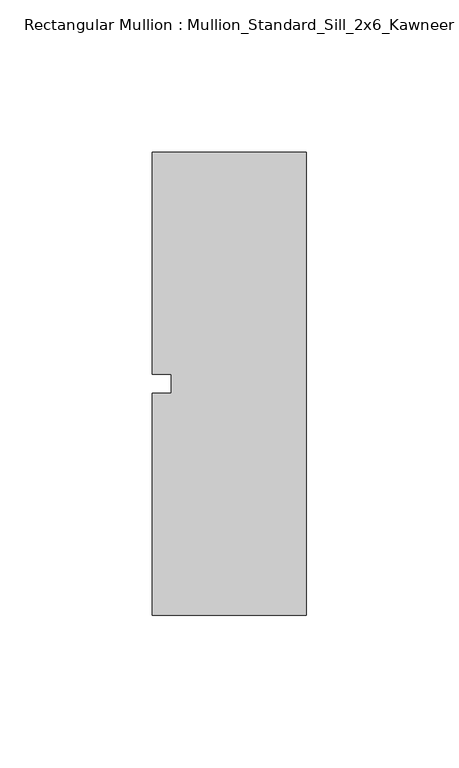
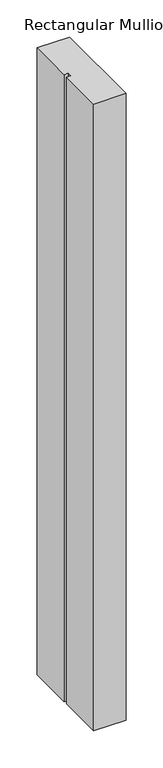
"""IFC4 building model written with IfcOpenShell, lengths in millimetres: member geometry, Rectangular Mullion : Mullion_Standard_Sill_2x6_Kawneer."""

import ifcopenshell
import ifcopenshell.guid

model = None  # the IFC model being written
_history = None  # IfcOwnerHistory: only IFC2X3 demands one
_inside = {}  # id of a spatial element -> (the spatial element, [elements in it])
_under = {}  # id of a project, library or spatial element -> (it, [spatial elements below it])
_declared = {}  # id of a project -> (the project, [libraries it declares])
_typed = {}  # id of a type object -> (the type object, [elements of that type])
_made_of = {}  # id of a material, layer set ... -> (it, [elements and type objects made of it])


def new_model(schema):
    """Start an empty IFC model of exactly this schema.

    Asked for "IFC4X3", IfcOpenShell would pick the latest addendum, in which some entities
    have other attributes; the version numbers below select the first issue.
    IFC2X3 requires an IfcOwnerHistory on every rooted entity: one is made here for all.
    """
    global model, _history
    if schema == "IFC4X3":
        model = ifcopenshell.file(schema_version=(4, 3, 0, 0))
    else:
        model = ifcopenshell.file(schema=schema)
    _inside.clear()
    _under.clear()
    _declared.clear()
    _typed.clear()
    _made_of.clear()
    _history = None
    if model.schema == "IFC2X3":
        org = make("IfcOrganization", Name="unknown")
        user = make(
            "IfcPersonAndOrganization",
            ThePerson=make("IfcPerson", FamilyName="unknown"),
            TheOrganization=org,
        )
        app = make(
            "IfcApplication",
            ApplicationDeveloper=org,
            Version="unknown",
            ApplicationFullName="unknown",
            ApplicationIdentifier="unknown",
        )
        _history = make(
            "IfcOwnerHistory",
            OwningUser=user,
            OwningApplication=app,
            ChangeAction="ADDED",
            CreationDate=0,
        )
    return model


def make(cls, **values):
    """One entity of the class cls with the attributes given. An attribute that is None is left unset."""
    return model.create_entity(
        cls, **{name: value for name, value in values.items() if value is not None}
    )


def rooted(cls, **values):
    """An entity with a GlobalId (a new one), such as an element, a storey or a relation."""
    return make(cls, GlobalId=ifcopenshell.guid.new(), OwnerHistory=_history, **values)


def si_unit(unit_type, name, prefix=None):
    """IfcSIUnit, for example si_unit("LENGTHUNIT", "METRE", prefix="MILLI")."""
    return make("IfcSIUnit", UnitType=unit_type, Prefix=prefix, Name=name)


def assignment(units):
    """IfcUnitAssignment: the units of a project."""
    return None if units is None else make("IfcUnitAssignment", Units=units)


def point(xyz):
    """IfcCartesianPoint."""
    return None if xyz is None else make("IfcCartesianPoint", Coordinates=xyz)


def direction(xyz):
    """IfcDirection."""
    return None if xyz is None else make("IfcDirection", DirectionRatios=xyz)


def frame(location, z_axis=None, x_axis=None):
    """IfcAxis2Placement3D, a coordinate frame: its origin and axes. An axis left out is left unset."""
    return make(
        "IfcAxis2Placement3D",
        Location=point(location),
        Axis=direction(z_axis),
        RefDirection=direction(x_axis),
    )


def origin():
    """The frame at (0, 0, 0) with its axes left unset."""
    return frame((0.0, 0.0, 0.0))


def place(relative_to, where):
    """IfcLocalPlacement: puts the frame where relative to a parent placement (None: the world)."""
    return make(
        "IfcLocalPlacement", PlacementRelTo=relative_to, RelativePlacement=where
    )


def context(
    kind, dimensions, precision=None, world=None, true_north=None, identifier=None
):
    """IfcGeometricRepresentationContext, for example the 3D "Model" context."""
    return make(
        "IfcGeometricRepresentationContext",
        ContextIdentifier=identifier,
        ContextType=kind,
        CoordinateSpaceDimension=dimensions,
        Precision=precision,
        WorldCoordinateSystem=world,
        TrueNorth=true_north,
    )


def project(units=None, contexts=None):
    """IfcProject with its units and contexts."""
    return rooted(
        "IfcProject",
        Name="project",
        RepresentationContexts=contexts,
        UnitsInContext=assignment(units),
    )


def spatial(cls, under=None, at=None, **own):
    """A site, building, storey or space (cls), placed at a placement, below another one or the project."""
    s = rooted(cls, ObjectPlacement=at, **own)
    if under is not None:
        _under.setdefault(under.id(), (under, []))[1].append(s)
    return s


def polyline(points):
    """IfcPolyline through the points."""
    return make("IfcPolyline", Points=[point(p) for p in points])


def outline(outer, holes=None, kind="AREA"):
    """IfcArbitraryClosedProfileDef: a profile drawn as a closed curve; with holes, ...WithVoids."""
    if holes is None:
        return make("IfcArbitraryClosedProfileDef", ProfileType=kind, OuterCurve=outer)
    return make(
        "IfcArbitraryProfileDefWithVoids",
        ProfileType=kind,
        OuterCurve=outer,
        InnerCurves=holes,
    )


def extrude(swept, where, along, depth):
    """IfcExtrudedAreaSolid: the profile swept, set in the frame where, extruded along a direction by depth."""
    return make(
        "IfcExtrudedAreaSolid",
        SweptArea=swept,
        Position=where,
        ExtrudedDirection=direction(along),
        Depth=depth,
    )


def shape(context_of_items, identifier, shape_type, items):
    """IfcShapeRepresentation: the items that make up one representation, for example the "Body"."""
    return make(
        "IfcShapeRepresentation",
        ContextOfItems=context_of_items,
        RepresentationIdentifier=identifier,
        RepresentationType=shape_type,
        Items=items,
    )


def source(mapping_origin, context_of_items, identifier, shape_type, items):
    """IfcRepresentationMap: a shape defined once, which mapped items show again and again."""
    return make(
        "IfcRepresentationMap",
        MappingOrigin=mapping_origin,
        MappedRepresentation=shape(context_of_items, identifier, shape_type, items),
    )


def transform(
    local_origin,
    x_axis=None,
    y_axis=None,
    z_axis=None,
    scale=None,
    scale2=None,
    scale3=None,
    uniform=True,
):
    """IfcCartesianTransformationOperator3D, or its non-uniform kind. x_axis, y_axis, z_axis: its Axis1, 2, 3."""
    if uniform:
        return make(
            "IfcCartesianTransformationOperator3D",
            Axis1=direction(x_axis),
            Axis2=direction(y_axis),
            LocalOrigin=point(local_origin),
            Scale=scale,
            Axis3=direction(z_axis),
        )
    return make(
        "IfcCartesianTransformationOperator3DnonUniform",
        Axis1=direction(x_axis),
        Axis2=direction(y_axis),
        LocalOrigin=point(local_origin),
        Scale=scale,
        Axis3=direction(z_axis),
        Scale2=scale2,
        Scale3=scale3,
    )


def mapped(mapping_source, mapping_target):
    """IfcMappedItem: shows the shape of a source again, moved by a transform."""
    return make(
        "IfcMappedItem", MappingSource=mapping_source, MappingTarget=mapping_target
    )


def made_of(thing, what):
    """Note that an element or type object is made of a material, layer set ...; save() writes the relation."""
    if what is not None:
        _made_of.setdefault(what.id(), (what, []))[1].append(thing)
    return thing


def element(
    cls,
    number,
    at=None,
    inside=None,
    cuts=None,
    type_object=None,
    material=None,
    context=None,
    identifier="Body",
    shape_type=None,
    held_by="IfcProductDefinitionShape",
    body=None,
    shapes=None,
    **own,
):
    """One element of the class cls, such as IfcWall. Its Tag is "e" and its number.

    at: its placement. inside: the storey or other place that contains it. cuts: it is an
    opening in that element (IfcRelVoidsElement). A single representation is given by context,
    identifier, shape_type and body (its items); several are given by shapes. held_by: the class
    of the entity that holds the representations. save() writes the other relations.
    """
    e = rooted(cls, Tag="e%d" % number, ObjectPlacement=at, **own)
    if body is not None:
        shapes = [shape(context, identifier, shape_type, body)]
    if shapes is not None:
        e.Representation = make(held_by, Representations=shapes)
    if inside is not None:
        _inside.setdefault(inside.id(), (inside, []))[1].append(e)
    if cuts is not None:
        rooted(
            "IfcRelVoidsElement", RelatingBuildingElement=cuts, RelatedOpeningElement=e
        )
    if type_object is not None:
        _typed.setdefault(type_object.id(), (type_object, []))[1].append(e)
    return made_of(e, material)


def aggregate(whole, parts):
    """IfcRelAggregates: a whole, such as a stair, and the parts it consists of."""
    return rooted("IfcRelAggregates", RelatingObject=whole, RelatedObjects=parts)


def save(model, path):
    """Write the relations noted so far, then the file.

    IfcRelAggregates (storeys below a building ...), IfcRelContainedInSpatialStructure (elements
    in a storey), IfcRelDefinesByType, IfcRelAssociatesMaterial and IfcRelDeclares: one each for
    every whole, place, type object, material and project.
    """
    for whole, parts in _under.values():
        aggregate(whole, parts)
    for where, things in _inside.values():
        rooted(
            "IfcRelContainedInSpatialStructure",
            RelatedElements=things,
            RelatingStructure=where,
        )
    for kind, things in _typed.values():
        rooted("IfcRelDefinesByType", RelatedObjects=things, RelatingType=kind)
    for what, things in _made_of.values():
        rooted("IfcRelAssociatesMaterial", RelatedObjects=things, RelatingMaterial=what)
    for by, libraries in _declared.values():
        rooted("IfcRelDeclares", RelatingContext=by, RelatedDefinitions=libraries)
    model.write(path)


def rectangular_mullion_mullion_standard_sill_2x6_kawneer_ccfb05a4(model_context):
    return source(origin(), model_context, "Body", "SweptSolid", [
        extrude(outline(polyline([(-50.8, -76.2), (-50.8, -3.175), (-44.45, -3.175), (-44.45, 3.175), (-50.8, 3.175), (-50.8, 76.2), (0.0, 76.2), (0.0, -76.2), (-50.8, -76.2)])), frame((0.0, 0.0, -1031.24), z_axis=(0.0, 0.0, 1.0), x_axis=(1.0, 0.0, 0.0)), (0.0, 0.0, 1.0), 1031.24),
    ])


if __name__ == "__main__":
    model = new_model("IFC4")
    model_context = context("Model", 3, world=origin())
    ifc_project = project(units=[si_unit("LENGTHUNIT", "METRE", prefix="MILLI")], contexts=[model_context])
    site = spatial("IfcSite", under=ifc_project)
    building = spatial("IfcBuilding", under=site)
    placement = place(None, origin())
    rectangular_mullion_mullion_standard_sill_2x6_kawneer_shape = rectangular_mullion_mullion_standard_sill_2x6_kawneer_ccfb05a4(model_context)
    element("IfcMember", 1, ObjectType="Rectangular Mullion : Mullion_Standard_Sill_2x6_Kawneer", at=placement, inside=building, context=model_context, shape_type="MappedRepresentation", body=[
        mapped(rectangular_mullion_mullion_standard_sill_2x6_kawneer_shape, transform((0.0, 0.0, 0.0), x_axis=(1.0, 0.0, 0.0), y_axis=(0.0, 1.0, 0.0), z_axis=(0.0, 0.0, 1.0))),
    ])
    save(model, "model.ifc")
